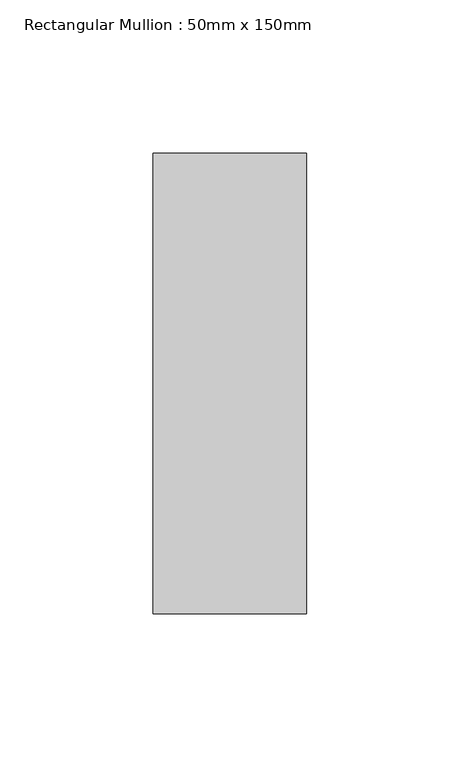
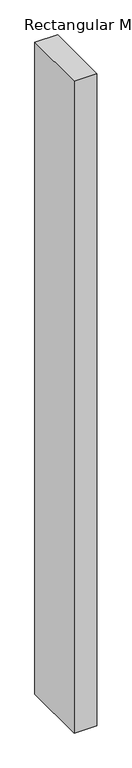
"""IFC4 building model written with IfcOpenShell, lengths in millimetres: member geometry, Rectangular Mullion : 50mm x 150mm."""

from ifc_helpers import new_model, si_unit, frame, origin, place, context, project, spatial, polyline, outline, extrude, source, transform, mapped, element, save


def rectangular_mullion_50mm_x_150mm_fd80b392(model_context):
    return source(origin(), model_context, "Body", "SweptSolid", [
        extrude(outline(polyline([(0.0, 75.0), (0.0, -75.0), (-50.0, -75.0), (-50.0, 75.0), (0.0, 75.0)])), frame((0.0, 0.0, -1519.9999999), z_axis=(0.0, 0.0, 1.0), x_axis=(1.0, 0.0, 0.0)), (0.0, 0.0, 1.0), 1519.9999999),
    ])


if __name__ == "__main__":
    model = new_model("IFC4")
    model_context = context("Model", 3, world=origin())
    ifc_project = project(units=[si_unit("LENGTHUNIT", "METRE", prefix="MILLI")], contexts=[model_context])
    site = spatial("IfcSite", under=ifc_project)
    building = spatial("IfcBuilding", under=site)
    placement = place(None, origin())
    rectangular_mullion_50mm_x_150mm_shape = rectangular_mullion_50mm_x_150mm_fd80b392(model_context)
    element("IfcMember", 1, ObjectType="Rectangular Mullion : 50mm x 150mm", at=placement, inside=building, context=model_context, shape_type="MappedRepresentation", body=[
        mapped(rectangular_mullion_50mm_x_150mm_shape, transform((0.0, 0.0, 0.0), x_axis=(1.0, 0.0, 0.0), y_axis=(0.0, 1.0, 0.0), z_axis=(0.0, 0.0, 1.0))),
    ])
    save(model, "model.ifc")
